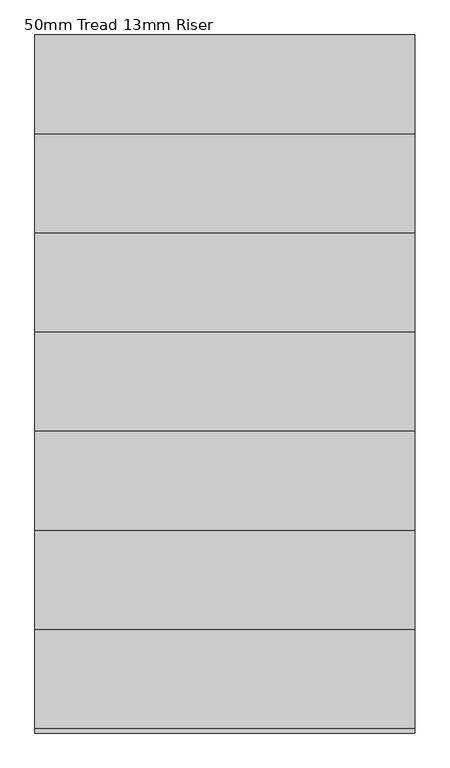
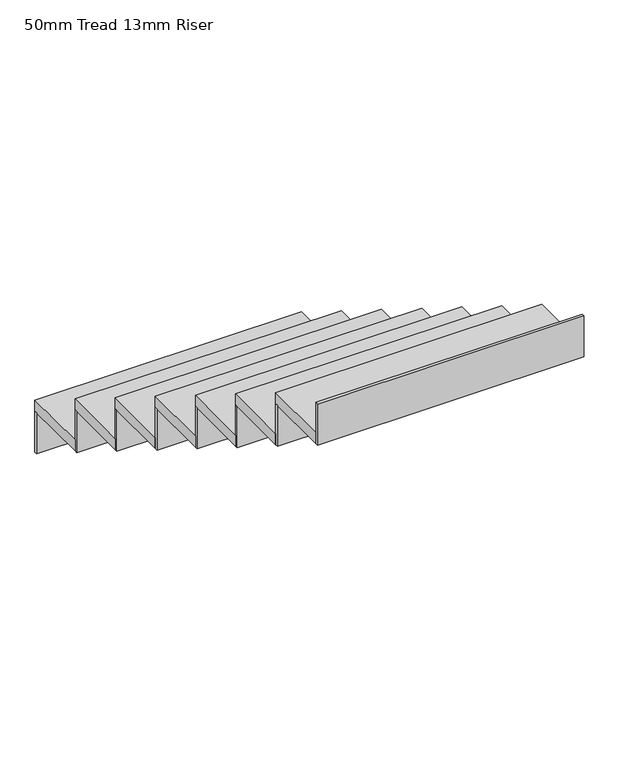
"""IFC4 building model written with IfcOpenShell, lengths in millimetres: stair flight geometry, 50mm Tread 13mm Riser."""

import ifcopenshell
import ifcopenshell.guid

model = None  # the IFC model being written
_history = None  # IfcOwnerHistory: only IFC2X3 demands one
_inside = {}  # id of a spatial element -> (the spatial element, [elements in it])
_under = {}  # id of a project, library or spatial element -> (it, [spatial elements below it])
_declared = {}  # id of a project -> (the project, [libraries it declares])
_typed = {}  # id of a type object -> (the type object, [elements of that type])
_made_of = {}  # id of a material, layer set ... -> (it, [elements and type objects made of it])


def new_model(schema):
    """Start an empty IFC model of exactly this schema.

    Asked for "IFC4X3", IfcOpenShell would pick the latest addendum, in which some entities
    have other attributes; the version numbers below select the first issue.
    IFC2X3 requires an IfcOwnerHistory on every rooted entity: one is made here for all.
    """
    global model, _history
    if schema == "IFC4X3":
        model = ifcopenshell.file(schema_version=(4, 3, 0, 0))
    else:
        model = ifcopenshell.file(schema=schema)
    _inside.clear()
    _under.clear()
    _declared.clear()
    _typed.clear()
    _made_of.clear()
    _history = None
    if model.schema == "IFC2X3":
        org = make("IfcOrganization", Name="unknown")
        user = make(
            "IfcPersonAndOrganization",
            ThePerson=make("IfcPerson", FamilyName="unknown"),
            TheOrganization=org,
        )
        app = make(
            "IfcApplication",
            ApplicationDeveloper=org,
            Version="unknown",
            ApplicationFullName="unknown",
            ApplicationIdentifier="unknown",
        )
        _history = make(
            "IfcOwnerHistory",
            OwningUser=user,
            OwningApplication=app,
            ChangeAction="ADDED",
            CreationDate=0,
        )
    return model


def make(cls, **values):
    """One entity of the class cls with the attributes given. An attribute that is None is left unset."""
    return model.create_entity(
        cls, **{name: value for name, value in values.items() if value is not None}
    )


def rooted(cls, **values):
    """An entity with a GlobalId (a new one), such as an element, a storey or a relation."""
    return make(cls, GlobalId=ifcopenshell.guid.new(), OwnerHistory=_history, **values)


def si_unit(unit_type, name, prefix=None):
    """IfcSIUnit, for example si_unit("LENGTHUNIT", "METRE", prefix="MILLI")."""
    return make("IfcSIUnit", UnitType=unit_type, Prefix=prefix, Name=name)


def assignment(units):
    """IfcUnitAssignment: the units of a project."""
    return None if units is None else make("IfcUnitAssignment", Units=units)


def point(xyz):
    """IfcCartesianPoint."""
    return None if xyz is None else make("IfcCartesianPoint", Coordinates=xyz)


def direction(xyz):
    """IfcDirection."""
    return None if xyz is None else make("IfcDirection", DirectionRatios=xyz)


def frame(location, z_axis=None, x_axis=None):
    """IfcAxis2Placement3D, a coordinate frame: its origin and axes. An axis left out is left unset."""
    return make(
        "IfcAxis2Placement3D",
        Location=point(location),
        Axis=direction(z_axis),
        RefDirection=direction(x_axis),
    )


def origin():
    """The frame at (0, 0, 0) with its axes left unset."""
    return frame((0.0, 0.0, 0.0))


def place(relative_to, where):
    """IfcLocalPlacement: puts the frame where relative to a parent placement (None: the world)."""
    return make(
        "IfcLocalPlacement", PlacementRelTo=relative_to, RelativePlacement=where
    )


def context(
    kind, dimensions, precision=None, world=None, true_north=None, identifier=None
):
    """IfcGeometricRepresentationContext, for example the 3D "Model" context."""
    return make(
        "IfcGeometricRepresentationContext",
        ContextIdentifier=identifier,
        ContextType=kind,
        CoordinateSpaceDimension=dimensions,
        Precision=precision,
        WorldCoordinateSystem=world,
        TrueNorth=true_north,
    )


def project(units=None, contexts=None):
    """IfcProject with its units and contexts."""
    return rooted(
        "IfcProject",
        Name="project",
        RepresentationContexts=contexts,
        UnitsInContext=assignment(units),
    )


def spatial(cls, under=None, at=None, **own):
    """A site, building, storey or space (cls), placed at a placement, below another one or the project."""
    s = rooted(cls, ObjectPlacement=at, **own)
    if under is not None:
        _under.setdefault(under.id(), (under, []))[1].append(s)
    return s


def polyline(points):
    """IfcPolyline through the points."""
    return make("IfcPolyline", Points=[point(p) for p in points])


def outline(outer, holes=None, kind="AREA"):
    """IfcArbitraryClosedProfileDef: a profile drawn as a closed curve; with holes, ...WithVoids."""
    if holes is None:
        return make("IfcArbitraryClosedProfileDef", ProfileType=kind, OuterCurve=outer)
    return make(
        "IfcArbitraryProfileDefWithVoids",
        ProfileType=kind,
        OuterCurve=outer,
        InnerCurves=holes,
    )


def extrude(swept, where, along, depth):
    """IfcExtrudedAreaSolid: the profile swept, set in the frame where, extruded along a direction by depth."""
    return make(
        "IfcExtrudedAreaSolid",
        SweptArea=swept,
        Position=where,
        ExtrudedDirection=direction(along),
        Depth=depth,
    )


def shape(context_of_items, identifier, shape_type, items):
    """IfcShapeRepresentation: the items that make up one representation, for example the "Body"."""
    return make(
        "IfcShapeRepresentation",
        ContextOfItems=context_of_items,
        RepresentationIdentifier=identifier,
        RepresentationType=shape_type,
        Items=items,
    )


def source(mapping_origin, context_of_items, identifier, shape_type, items):
    """IfcRepresentationMap: a shape defined once, which mapped items show again and again."""
    return make(
        "IfcRepresentationMap",
        MappingOrigin=mapping_origin,
        MappedRepresentation=shape(context_of_items, identifier, shape_type, items),
    )


def transform(
    local_origin,
    x_axis=None,
    y_axis=None,
    z_axis=None,
    scale=None,
    scale2=None,
    scale3=None,
    uniform=True,
):
    """IfcCartesianTransformationOperator3D, or its non-uniform kind. x_axis, y_axis, z_axis: its Axis1, 2, 3."""
    if uniform:
        return make(
            "IfcCartesianTransformationOperator3D",
            Axis1=direction(x_axis),
            Axis2=direction(y_axis),
            LocalOrigin=point(local_origin),
            Scale=scale,
            Axis3=direction(z_axis),
        )
    return make(
        "IfcCartesianTransformationOperator3DnonUniform",
        Axis1=direction(x_axis),
        Axis2=direction(y_axis),
        LocalOrigin=point(local_origin),
        Scale=scale,
        Axis3=direction(z_axis),
        Scale2=scale2,
        Scale3=scale3,
    )


def mapped(mapping_source, mapping_target):
    """IfcMappedItem: shows the shape of a source again, moved by a transform."""
    return make(
        "IfcMappedItem", MappingSource=mapping_source, MappingTarget=mapping_target
    )


def made_of(thing, what):
    """Note that an element or type object is made of a material, layer set ...; save() writes the relation."""
    if what is not None:
        _made_of.setdefault(what.id(), (what, []))[1].append(thing)
    return thing


def element(
    cls,
    number,
    at=None,
    inside=None,
    cuts=None,
    type_object=None,
    material=None,
    context=None,
    identifier="Body",
    shape_type=None,
    held_by="IfcProductDefinitionShape",
    body=None,
    shapes=None,
    **own,
):
    """One element of the class cls, such as IfcWall. Its Tag is "e" and its number.

    at: its placement. inside: the storey or other place that contains it. cuts: it is an
    opening in that element (IfcRelVoidsElement). A single representation is given by context,
    identifier, shape_type and body (its items); several are given by shapes. held_by: the class
    of the entity that holds the representations. save() writes the other relations.
    """
    e = rooted(cls, Tag="e%d" % number, ObjectPlacement=at, **own)
    if body is not None:
        shapes = [shape(context, identifier, shape_type, body)]
    if shapes is not None:
        e.Representation = make(held_by, Representations=shapes)
    if inside is not None:
        _inside.setdefault(inside.id(), (inside, []))[1].append(e)
    if cuts is not None:
        rooted(
            "IfcRelVoidsElement", RelatingBuildingElement=cuts, RelatedOpeningElement=e
        )
    if type_object is not None:
        _typed.setdefault(type_object.id(), (type_object, []))[1].append(e)
    return made_of(e, material)


def aggregate(whole, parts):
    """IfcRelAggregates: a whole, such as a stair, and the parts it consists of."""
    return rooted("IfcRelAggregates", RelatingObject=whole, RelatedObjects=parts)


def save(model, path):
    """Write the relations noted so far, then the file.

    IfcRelAggregates (storeys below a building ...), IfcRelContainedInSpatialStructure (elements
    in a storey), IfcRelDefinesByType, IfcRelAssociatesMaterial and IfcRelDeclares: one each for
    every whole, place, type object, material and project.
    """
    for whole, parts in _under.values():
        aggregate(whole, parts)
    for where, things in _inside.values():
        rooted(
            "IfcRelContainedInSpatialStructure",
            RelatedElements=things,
            RelatingStructure=where,
        )
    for kind, things in _typed.values():
        rooted("IfcRelDefinesByType", RelatedObjects=things, RelatingType=kind)
    for what, things in _made_of.values():
        rooted("IfcRelAssociatesMaterial", RelatedObjects=things, RelatingMaterial=what)
    for by, libraries in _declared.values():
        rooted("IfcRelDeclares", RelatingContext=by, RelatedDefinitions=libraries)
    model.write(path)


def stair_flight_50mm_tread_13mm_riser_8b717fa1(model_context):
    return source(origin(), model_context, "Body", "SweptSolid", [
        extrude(outline(polyline([(1684.355623, -9384.865151), (1684.355623, -9372.365151), (2834.355623, -9372.365151), (2834.355623, -9384.865151), (1684.355623, -9384.865151)])), frame((0.0, 0.0, 10450.0), z_axis=(0.0, 0.0, 1.0), x_axis=(1.0, 0.0, 0.0)), (0.0, 0.0, 1.0), 187.5),
        extrude(outline(polyline([(2834.355623, -9672.365151), (1684.355623, -9672.365151), (1684.355623, -9372.365151), (2834.355623, -9372.365151), (2834.355623, -9672.365151)])), frame((0.0, 0.0, 10637.5), z_axis=(0.0, 0.0, 1.0), x_axis=(1.0, 0.0, 0.0)), (0.0, 0.0, 1.0), 50.0),
        extrude(outline(polyline([(1684.355623, -9684.865151), (1684.355623, -9672.365151), (2834.355623, -9672.365151), (2834.355623, -9684.865151), (1684.355623, -9684.865151)])), frame((0.0, 0.0, 10637.5), z_axis=(0.0, 0.0, 1.0), x_axis=(1.0, 0.0, 0.0)), (0.0, 0.0, 1.0), 187.5),
        extrude(outline(polyline([(2834.355623, -9972.365151), (1684.355623, -9972.365151), (1684.355623, -9672.365151), (2834.355623, -9672.365151), (2834.355623, -9972.365151)])), frame((0.0, 0.0, 10825.0), z_axis=(0.0, 0.0, 1.0), x_axis=(1.0, 0.0, 0.0)), (0.0, 0.0, 1.0), 50.0),
        extrude(outline(polyline([(1684.355623, -9984.865151), (1684.355623, -9972.365151), (2834.355623, -9972.365151), (2834.355623, -9984.865151), (1684.355623, -9984.865151)])), frame((0.0, 0.0, 10825.0), z_axis=(0.0, 0.0, 1.0), x_axis=(1.0, 0.0, 0.0)), (0.0, 0.0, 1.0), 187.5),
        extrude(outline(polyline([(2834.355623, -10272.365151), (1684.355623, -10272.365151), (1684.355623, -9972.365151), (2834.355623, -9972.365151), (2834.355623, -10272.365151)])), frame((0.0, 0.0, 11012.5), z_axis=(0.0, 0.0, 1.0), x_axis=(1.0, 0.0, 0.0)), (0.0, 0.0, 1.0), 50.0),
        extrude(outline(polyline([(1684.355623, -10284.865151), (1684.355623, -10272.365151), (2834.355623, -10272.365151), (2834.355623, -10284.865151), (1684.355623, -10284.865151)])), frame((0.0, 0.0, 11012.5), z_axis=(0.0, 0.0, 1.0), x_axis=(1.0, 0.0, 0.0)), (0.0, 0.0, 1.0), 187.5),
        extrude(outline(polyline([(2834.355623, -10572.365151), (1684.355623, -10572.365151), (1684.355623, -10272.365151), (2834.355623, -10272.365151), (2834.355623, -10572.365151)])), frame((0.0, 0.0, 11200.0), z_axis=(0.0, 0.0, 1.0), x_axis=(1.0, 0.0, 0.0)), (0.0, 0.0, 1.0), 50.0),
        extrude(outline(polyline([(1684.355623, -10584.865151), (1684.355623, -10572.365151), (2834.355623, -10572.365151), (2834.355623, -10584.865151), (1684.355623, -10584.865151)])), frame((0.0, 0.0, 11200.0), z_axis=(0.0, 0.0, 1.0), x_axis=(1.0, 0.0, 0.0)), (0.0, 0.0, 1.0), 187.5),
        extrude(outline(polyline([(2834.355623, -10872.365151), (1684.355623, -10872.365151), (1684.355623, -10572.365151), (2834.355623, -10572.365151), (2834.355623, -10872.365151)])), frame((0.0, 0.0, 11387.5), z_axis=(0.0, 0.0, 1.0), x_axis=(1.0, 0.0, 0.0)), (0.0, 0.0, 1.0), 50.0),
        extrude(outline(polyline([(1684.355623, -10884.865151), (1684.355623, -10872.365151), (2834.355623, -10872.365151), (2834.355623, -10884.865151), (1684.355623, -10884.865151)])), frame((0.0, 0.0, 11387.5), z_axis=(0.0, 0.0, 1.0), x_axis=(1.0, 0.0, 0.0)), (0.0, 0.0, 1.0), 187.5),
        extrude(outline(polyline([(2834.355623, -11172.365151), (1684.355623, -11172.365151), (1684.355623, -10872.365151), (2834.355623, -10872.365151), (2834.355623, -11172.365151)])), frame((0.0, 0.0, 11575.0), z_axis=(0.0, 0.0, 1.0), x_axis=(1.0, 0.0, 0.0)), (0.0, 0.0, 1.0), 50.0),
        extrude(outline(polyline([(1684.355623, -11184.865151), (1684.355623, -11172.365151), (2834.355623, -11172.365151), (2834.355623, -11184.865151), (1684.355623, -11184.865151)])), frame((0.0, 0.0, 11575.0), z_axis=(0.0, 0.0, 1.0), x_axis=(1.0, 0.0, 0.0)), (0.0, 0.0, 1.0), 187.5),
        extrude(outline(polyline([(1684.355623, -11484.865151), (1684.355623, -11472.365151), (2834.355623, -11472.365151), (2834.355623, -11484.865151), (1684.355623, -11484.865151)])), frame((0.0, 0.0, 11762.5), z_axis=(0.0, 0.0, 1.0), x_axis=(1.0, 0.0, 0.0)), (0.0, 0.0, 1.0), 187.5),
        extrude(outline(polyline([(2834.355623, -11472.365151), (1684.355623, -11472.365151), (1684.355623, -11172.365151), (2834.355623, -11172.365151), (2834.355623, -11472.365151)])), frame((0.0, 0.0, 11762.5), z_axis=(0.0, 0.0, 1.0), x_axis=(1.0, 0.0, 0.0)), (0.0, 0.0, 1.0), 50.0),
    ])


if __name__ == "__main__":
    model = new_model("IFC4")
    model_context = context("Model", 3, world=origin())
    ifc_project = project(units=[si_unit("LENGTHUNIT", "METRE", prefix="MILLI")], contexts=[model_context])
    site = spatial("IfcSite", under=ifc_project)
    building = spatial("IfcBuilding", under=site)
    placement = place(None, origin())
    stair_flight_50mm_tread_13mm_riser_shape = stair_flight_50mm_tread_13mm_riser_8b717fa1(model_context)
    element("IfcStairFlight", 1, ObjectType="50mm Tread 13mm Riser", at=placement, inside=building, context=model_context, shape_type="MappedRepresentation", body=[
        mapped(stair_flight_50mm_tread_13mm_riser_shape, transform((0.0, 0.0, 0.0), x_axis=(1.0, 0.0, 0.0), y_axis=(0.0, 1.0, 0.0), z_axis=(0.0, 0.0, 1.0))),
    ])
    save(model, "model.ifc")
